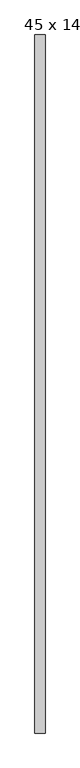
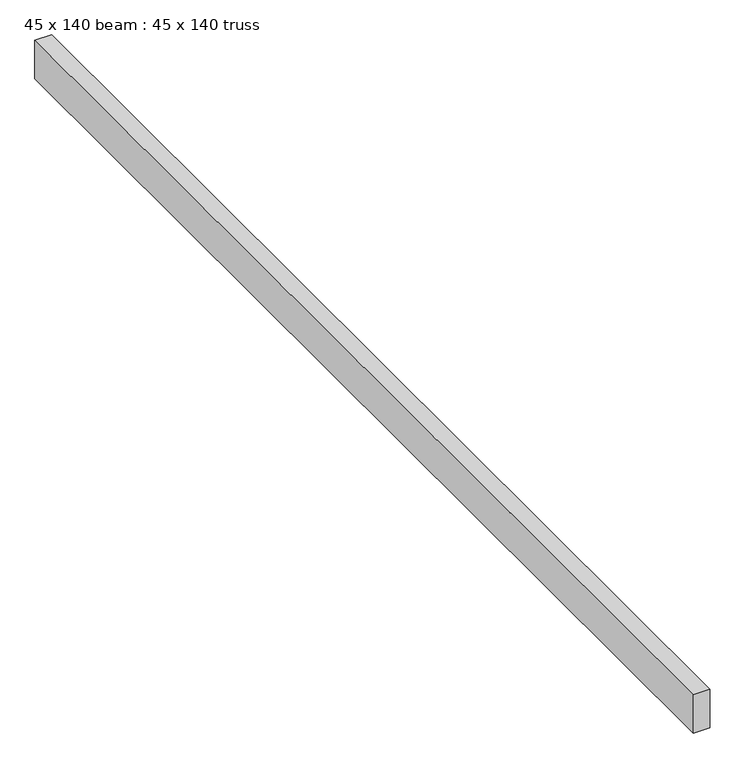
"""IFC4 building model written with IfcOpenShell, lengths in millimetres: proxy geometry, 45 x 140 beam : 45 x 140 truss."""

import ifcopenshell
import ifcopenshell.guid

model = None  # the IFC model being written
_history = None  # IfcOwnerHistory: only IFC2X3 demands one
_inside = {}  # id of a spatial element -> (the spatial element, [elements in it])
_under = {}  # id of a project, library or spatial element -> (it, [spatial elements below it])
_declared = {}  # id of a project -> (the project, [libraries it declares])
_typed = {}  # id of a type object -> (the type object, [elements of that type])
_made_of = {}  # id of a material, layer set ... -> (it, [elements and type objects made of it])


def new_model(schema):
    """Start an empty IFC model of exactly this schema.

    Asked for "IFC4X3", IfcOpenShell would pick the latest addendum, in which some entities
    have other attributes; the version numbers below select the first issue.
    IFC2X3 requires an IfcOwnerHistory on every rooted entity: one is made here for all.
    """
    global model, _history
    if schema == "IFC4X3":
        model = ifcopenshell.file(schema_version=(4, 3, 0, 0))
    else:
        model = ifcopenshell.file(schema=schema)
    _inside.clear()
    _under.clear()
    _declared.clear()
    _typed.clear()
    _made_of.clear()
    _history = None
    if model.schema == "IFC2X3":
        org = make("IfcOrganization", Name="unknown")
        user = make(
            "IfcPersonAndOrganization",
            ThePerson=make("IfcPerson", FamilyName="unknown"),
            TheOrganization=org,
        )
        app = make(
            "IfcApplication",
            ApplicationDeveloper=org,
            Version="unknown",
            ApplicationFullName="unknown",
            ApplicationIdentifier="unknown",
        )
        _history = make(
            "IfcOwnerHistory",
            OwningUser=user,
            OwningApplication=app,
            ChangeAction="ADDED",
            CreationDate=0,
        )
    return model


def make(cls, **values):
    """One entity of the class cls with the attributes given. An attribute that is None is left unset."""
    return model.create_entity(
        cls, **{name: value for name, value in values.items() if value is not None}
    )


def rooted(cls, **values):
    """An entity with a GlobalId (a new one), such as an element, a storey or a relation."""
    return make(cls, GlobalId=ifcopenshell.guid.new(), OwnerHistory=_history, **values)


def si_unit(unit_type, name, prefix=None):
    """IfcSIUnit, for example si_unit("LENGTHUNIT", "METRE", prefix="MILLI")."""
    return make("IfcSIUnit", UnitType=unit_type, Prefix=prefix, Name=name)


def assignment(units):
    """IfcUnitAssignment: the units of a project."""
    return None if units is None else make("IfcUnitAssignment", Units=units)


def point(xyz):
    """IfcCartesianPoint."""
    return None if xyz is None else make("IfcCartesianPoint", Coordinates=xyz)


def direction(xyz):
    """IfcDirection."""
    return None if xyz is None else make("IfcDirection", DirectionRatios=xyz)


def frame(location, z_axis=None, x_axis=None):
    """IfcAxis2Placement3D, a coordinate frame: its origin and axes. An axis left out is left unset."""
    return make(
        "IfcAxis2Placement3D",
        Location=point(location),
        Axis=direction(z_axis),
        RefDirection=direction(x_axis),
    )


def origin():
    """The frame at (0, 0, 0) with its axes left unset."""
    return frame((0.0, 0.0, 0.0))


def place(relative_to, where):
    """IfcLocalPlacement: puts the frame where relative to a parent placement (None: the world)."""
    return make(
        "IfcLocalPlacement", PlacementRelTo=relative_to, RelativePlacement=where
    )


def context(
    kind, dimensions, precision=None, world=None, true_north=None, identifier=None
):
    """IfcGeometricRepresentationContext, for example the 3D "Model" context."""
    return make(
        "IfcGeometricRepresentationContext",
        ContextIdentifier=identifier,
        ContextType=kind,
        CoordinateSpaceDimension=dimensions,
        Precision=precision,
        WorldCoordinateSystem=world,
        TrueNorth=true_north,
    )


def project(units=None, contexts=None):
    """IfcProject with its units and contexts."""
    return rooted(
        "IfcProject",
        Name="project",
        RepresentationContexts=contexts,
        UnitsInContext=assignment(units),
    )


def spatial(cls, under=None, at=None, **own):
    """A site, building, storey or space (cls), placed at a placement, below another one or the project."""
    s = rooted(cls, ObjectPlacement=at, **own)
    if under is not None:
        _under.setdefault(under.id(), (under, []))[1].append(s)
    return s


def polyline(points):
    """IfcPolyline through the points."""
    return make("IfcPolyline", Points=[point(p) for p in points])


def outline(outer, holes=None, kind="AREA"):
    """IfcArbitraryClosedProfileDef: a profile drawn as a closed curve; with holes, ...WithVoids."""
    if holes is None:
        return make("IfcArbitraryClosedProfileDef", ProfileType=kind, OuterCurve=outer)
    return make(
        "IfcArbitraryProfileDefWithVoids",
        ProfileType=kind,
        OuterCurve=outer,
        InnerCurves=holes,
    )


def extrude(swept, where, along, depth):
    """IfcExtrudedAreaSolid: the profile swept, set in the frame where, extruded along a direction by depth."""
    return make(
        "IfcExtrudedAreaSolid",
        SweptArea=swept,
        Position=where,
        ExtrudedDirection=direction(along),
        Depth=depth,
    )


def shape(context_of_items, identifier, shape_type, items):
    """IfcShapeRepresentation: the items that make up one representation, for example the "Body"."""
    return make(
        "IfcShapeRepresentation",
        ContextOfItems=context_of_items,
        RepresentationIdentifier=identifier,
        RepresentationType=shape_type,
        Items=items,
    )


def source(mapping_origin, context_of_items, identifier, shape_type, items):
    """IfcRepresentationMap: a shape defined once, which mapped items show again and again."""
    return make(
        "IfcRepresentationMap",
        MappingOrigin=mapping_origin,
        MappedRepresentation=shape(context_of_items, identifier, shape_type, items),
    )


def transform(
    local_origin,
    x_axis=None,
    y_axis=None,
    z_axis=None,
    scale=None,
    scale2=None,
    scale3=None,
    uniform=True,
):
    """IfcCartesianTransformationOperator3D, or its non-uniform kind. x_axis, y_axis, z_axis: its Axis1, 2, 3."""
    if uniform:
        return make(
            "IfcCartesianTransformationOperator3D",
            Axis1=direction(x_axis),
            Axis2=direction(y_axis),
            LocalOrigin=point(local_origin),
            Scale=scale,
            Axis3=direction(z_axis),
        )
    return make(
        "IfcCartesianTransformationOperator3DnonUniform",
        Axis1=direction(x_axis),
        Axis2=direction(y_axis),
        LocalOrigin=point(local_origin),
        Scale=scale,
        Axis3=direction(z_axis),
        Scale2=scale2,
        Scale3=scale3,
    )


def mapped(mapping_source, mapping_target):
    """IfcMappedItem: shows the shape of a source again, moved by a transform."""
    return make(
        "IfcMappedItem", MappingSource=mapping_source, MappingTarget=mapping_target
    )


def made_of(thing, what):
    """Note that an element or type object is made of a material, layer set ...; save() writes the relation."""
    if what is not None:
        _made_of.setdefault(what.id(), (what, []))[1].append(thing)
    return thing


def element(
    cls,
    number,
    at=None,
    inside=None,
    cuts=None,
    type_object=None,
    material=None,
    context=None,
    identifier="Body",
    shape_type=None,
    held_by="IfcProductDefinitionShape",
    body=None,
    shapes=None,
    **own,
):
    """One element of the class cls, such as IfcWall. Its Tag is "e" and its number.

    at: its placement. inside: the storey or other place that contains it. cuts: it is an
    opening in that element (IfcRelVoidsElement). A single representation is given by context,
    identifier, shape_type and body (its items); several are given by shapes. held_by: the class
    of the entity that holds the representations. save() writes the other relations.
    """
    e = rooted(cls, Tag="e%d" % number, ObjectPlacement=at, **own)
    if body is not None:
        shapes = [shape(context, identifier, shape_type, body)]
    if shapes is not None:
        e.Representation = make(held_by, Representations=shapes)
    if inside is not None:
        _inside.setdefault(inside.id(), (inside, []))[1].append(e)
    if cuts is not None:
        rooted(
            "IfcRelVoidsElement", RelatingBuildingElement=cuts, RelatedOpeningElement=e
        )
    if type_object is not None:
        _typed.setdefault(type_object.id(), (type_object, []))[1].append(e)
    return made_of(e, material)


def aggregate(whole, parts):
    """IfcRelAggregates: a whole, such as a stair, and the parts it consists of."""
    return rooted("IfcRelAggregates", RelatingObject=whole, RelatedObjects=parts)


def save(model, path):
    """Write the relations noted so far, then the file.

    IfcRelAggregates (storeys below a building ...), IfcRelContainedInSpatialStructure (elements
    in a storey), IfcRelDefinesByType, IfcRelAssociatesMaterial and IfcRelDeclares: one each for
    every whole, place, type object, material and project.
    """
    for whole, parts in _under.values():
        aggregate(whole, parts)
    for where, things in _inside.values():
        rooted(
            "IfcRelContainedInSpatialStructure",
            RelatedElements=things,
            RelatingStructure=where,
        )
    for kind, things in _typed.values():
        rooted("IfcRelDefinesByType", RelatedObjects=things, RelatingType=kind)
    for what, things in _made_of.values():
        rooted("IfcRelAssociatesMaterial", RelatedObjects=things, RelatingMaterial=what)
    for by, libraries in _declared.values():
        rooted("IfcRelDeclares", RelatingContext=by, RelatedDefinitions=libraries)
    model.write(path)


def proxy_45_x_140_beam_45_x_140_truss_be263ecf(model_context):
    return source(origin(), model_context, "Body", "SweptSolid", [
        extrude(outline(polyline([(-1212.2849404, -4569.530835), (-1257.2849404, -4569.530835), (-1257.2849404, -1479.530835), (-1212.2849404, -1479.530835), (-1212.2849404, -4569.530835)])), frame((0.0, 0.0, 3675.1978483), z_axis=(0.0, 0.0, 1.0), x_axis=(1.0, 0.0, 0.0)), (0.0, 0.0, 1.0), 109.0474323),
    ])


if __name__ == "__main__":
    model = new_model("IFC4")
    model_context = context("Model", 3, world=origin())
    ifc_project = project(units=[si_unit("LENGTHUNIT", "METRE", prefix="MILLI")], contexts=[model_context])
    site = spatial("IfcSite", under=ifc_project)
    building = spatial("IfcBuilding", under=site)
    placement = place(None, origin())
    proxy_45_x_140_beam_45_x_140_truss_shape = proxy_45_x_140_beam_45_x_140_truss_be263ecf(model_context)
    element("IfcBuildingElementProxy", 1, Name="45 x 140 beam : 45 x 140 truss", ObjectType="45 x 140 beam : 45 x 140 truss", at=placement, inside=building, context=model_context, shape_type="MappedRepresentation", body=[
        mapped(proxy_45_x_140_beam_45_x_140_truss_shape, transform((0.0, 0.0, 0.0), x_axis=(1.0, 0.0, 0.0), y_axis=(0.0, 1.0, 0.0), z_axis=(0.0, 0.0, 1.0))),
    ])
    save(model, "model.ifc")
